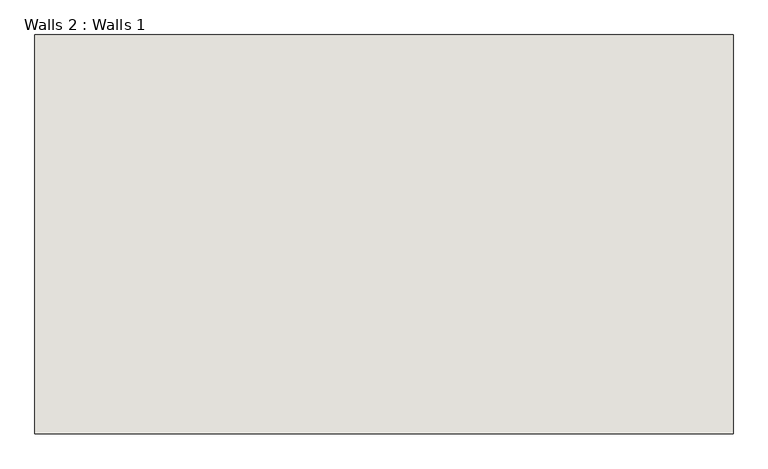
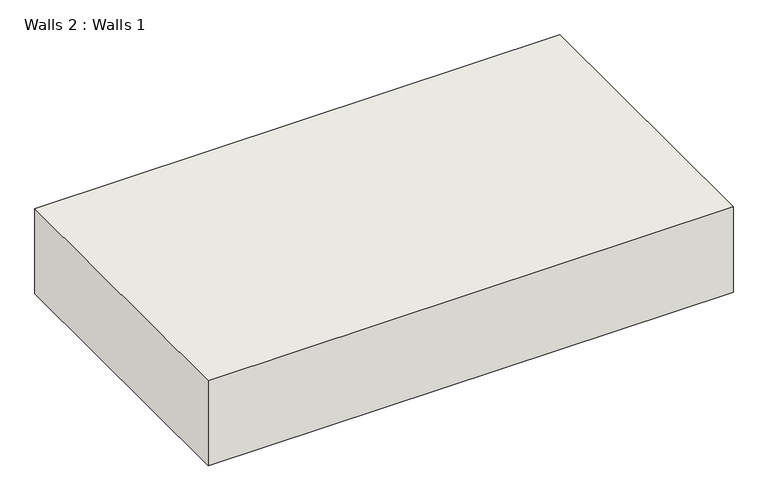
"""IFC4 building model written with IfcOpenShell, lengths in millimetres: wall geometry, Walls 2 : Walls 1."""

from ifc_helpers import new_model, si_unit, origin, origin_with_axes, place, context, project, spatial, polyline, outline, extrude, source, transform, mapped, element, save


def walls_2_walls_1_fc798daa(model_context):
    return source(origin(), model_context, "Body", "SweptSolid", [
        extrude(outline(polyline([(22295.3711601, -132089.335526), (22295.3711601, -152089.335526), (-12704.6288399, -152089.335526), (-12704.6288399, -132089.335526), (22295.3711601, -132089.335526)])), origin_with_axes(), (0.0, 0.0, 1.0), 6000.0),
    ])


if __name__ == "__main__":
    model = new_model("IFC4")
    model_context = context("Model", 3, world=origin())
    ifc_project = project(units=[si_unit("LENGTHUNIT", "METRE", prefix="MILLI")], contexts=[model_context])
    site = spatial("IfcSite", under=ifc_project)
    building = spatial("IfcBuilding", under=site)
    placement = place(None, origin())
    walls_2_walls_1_shape = walls_2_walls_1_fc798daa(model_context)
    element("IfcWall", 1, ObjectType="Walls 2 : Walls 1", at=placement, inside=building, context=model_context, shape_type="MappedRepresentation", body=[
        mapped(walls_2_walls_1_shape, transform((0.0, 0.0, 0.0), x_axis=(1.0, 0.0, 0.0), y_axis=(0.0, 1.0, 0.0), z_axis=(0.0, 0.0, 1.0))),
    ])
    save(model, "model.ifc")
